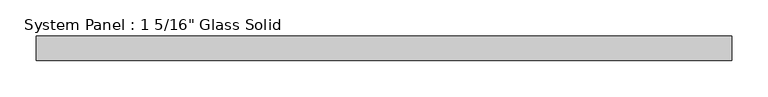
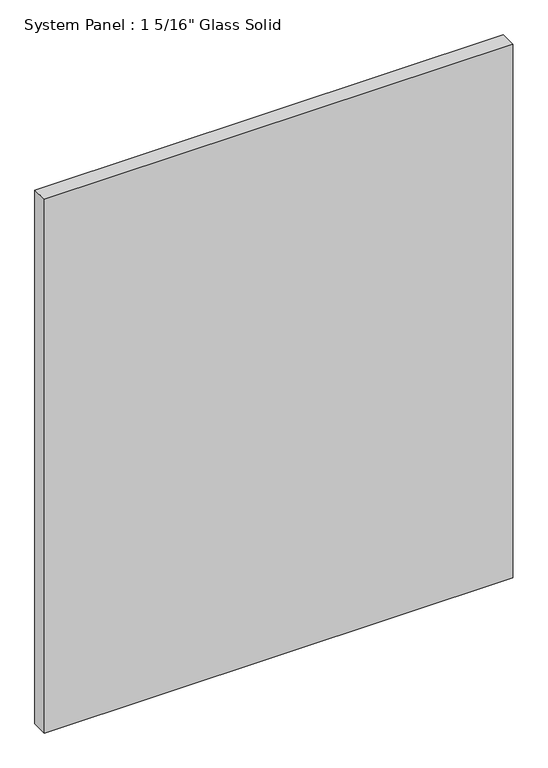
"""IFC4 building model written with IfcOpenShell, lengths in millimetres: plate geometry."""

from ifc_helpers import new_model, si_unit, origin, origin_with_axes, place, context, project, spatial, polyline, outline, extrude, source, transform, mapped, element, save


def plate_be680444(model_context):
    return source(origin(), model_context, "Body", "SweptSolid", [
        extrude(outline(polyline([(476.8305865, -16.66875), (-476.8305865, -16.66875), (-476.8305865, 16.66875), (476.8305865, 16.66875), (476.8305865, -16.66875)])), origin_with_axes(), (0.0, 0.0, 1.0), 1148.1923678),
    ])


if __name__ == "__main__":
    model = new_model("IFC4")
    model_context = context("Model", 3, world=origin())
    ifc_project = project(units=[si_unit("LENGTHUNIT", "METRE", prefix="MILLI")], contexts=[model_context])
    site = spatial("IfcSite", under=ifc_project)
    building = spatial("IfcBuilding", under=site)
    placement = place(None, origin())
    plate_shape = plate_be680444(model_context)
    element("IfcPlate", 1, ObjectType="System Panel : 1 5/16\" Glass Solid", at=placement, inside=building, context=model_context, shape_type="MappedRepresentation", body=[
        mapped(plate_shape, transform((0.0, 0.0, 0.0), x_axis=(1.0, 0.0, 0.0), y_axis=(0.0, 1.0, 0.0), z_axis=(0.0, 0.0, 1.0))),
    ])
    save(model, "model.ifc")
